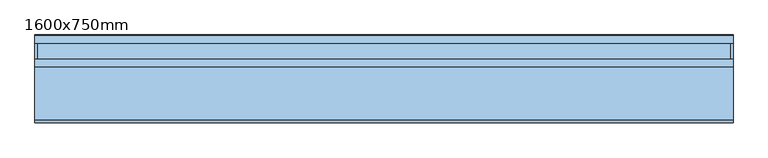
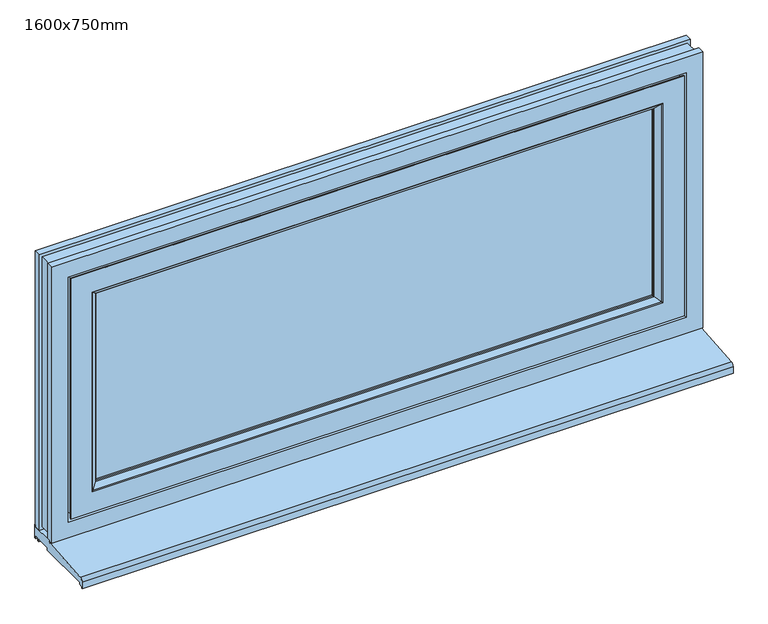
"""IFC4 building model written with IfcOpenShell, lengths in millimetres: window geometry, 1600x750mm."""

from ifc_helpers import new_model, si_unit, point, frame, frame_2d, origin, place, context, project, spatial, polyline, circle_curve, ellipse_curve, trimmed, segment, composite_curve, outline, extrude, source, transform, mapped, element, save
from ifc_brep_helpers import plane_surface, cylinder_surface, advanced_brep


def window_1600x750mm_44d02457(model_context):
    return source(origin(), model_context, "Body", "SolidModel", [
        extrude(outline(composite_curve([segment(polyline([(0.9754597, 838.0000003), (0.9754597, 803.0), (-3.0245403, 803.0), (-3.0245403, 810.0), (-11.0245403, 810.0), (-11.0245403, 803.0), (-16.0245403, 803.0), (-16.0245403, 810.0), (-52.0245403, 810.0), (-52.0245403, 803.0), (-189.0245403, 803.0), (-189.0245403, 798.310616), (-197.0245403, 796.9000002), (-197.0245403, 793.0075963), (-199.0245403, 793.0075963), (-199.0245403, 809.5438961)]), True, "CONTINUOUS"), segment(trimmed(circle_curve(frame_2d((-191.128712, 809.5438961)), 7.8958283), [point((-199.0245403, 809.5438961))], [point((-191.7581436, 817.4145962))], False, "CARTESIAN"), True, "CONTINUOUS"), segment(polyline([(-191.7581436, 817.4145962), (-63.7824859, 827.5160901)]), True, "CONTINUOUS"), segment(trimmed(circle_curve(frame_2d((-65.0153116, 833.3880694)), 6.0), [point((-63.7824859, 827.5160901))], [point((-59.0278746, 833.0000003))], True, "CARTESIAN"), True, "CONTINUOUS"), segment(polyline([(-59.0278746, 833.0000003), (-1.0245403, 833.0000003), (-1.0245403, 838.0000003), (0.9754597, 838.0000003)]), True, "CONTINUOUS")], self_intersect=False)), frame((-795.0, 0.0, 0.0), z_axis=(1.0, 0.0, 0.0), x_axis=(0.0, 1.0, 0.0)), (0.0, 0.0, 1.0), 1590.0),
        extrude(outline(polyline([(-696.0020027, -24.0244403), (696.0, -24.0244403), (696.0, -52.0244403), (-696.0020027, -52.0244403), (-696.0020027, -24.0244403)])), frame((0.0, 0.0, 932.0), z_axis=(0.0, 0.0, 1.0), x_axis=(1.0, 0.0, 0.0)), (0.0, 0.0, 1.0), 514.0),
        advanced_brep(
        [(-681.9957513, -16.4897798, 1431.9956513), (-681.9957513, -16.4897798, 946.0043487), (-694.3949222, -2.3837282, 933.6051778), (-694.3949222, -2.3837282, 1444.3948222), (-681.0001, -19.130592, 1431.0), (-681.0001, -19.130592, 947.0), (-681.0001, -22.0245403, 1431.0), (-681.0001, -22.0245403, 947.0), (-691.8001, -15.5245403, 1441.8), (-691.8001, -15.5245403, 936.2), (-691.8001, -22.0245403, 936.2), (-691.8001, -22.0245403, 1441.8), (-694.8001, -12.5245403, 1444.8), (-694.8001, -12.5245403, 933.2), (-705.0001, -1.0245403, 1455.0), (-705.0001, -1.0245403, 923.0), (-705.0001, -12.5245403, 923.0), (-705.0001, -12.5245403, 1455.0), (-697.3992709, -1.0245403, 930.6008291), (-697.3992709, -1.0245403, 1447.3991709), (681.9956513, -16.4897798, 946.0043487), (694.3948222, -2.3837282, 933.6051778), (681.0, -19.130592, 947.0), (681.0, -22.0245403, 947.0), (691.8, -15.5245403, 936.2), (691.8, -22.0245403, 936.2), (694.8, -12.5245403, 933.2), (705.0, -1.0245403, 923.0), (705.0, -12.5245403, 923.0), (697.3991709, -1.0245403, 930.6008291), (681.9956513, -16.4897798, 1431.9956513), (694.3948222, -2.3837282, 1444.3948222), (681.0, -19.130592, 1431.0), (681.0, -22.0245403, 1431.0), (691.8, -15.5245403, 1441.8), (691.8, -22.0245403, 1441.8), (694.8, -12.5245403, 1444.8), (705.0, -1.0245403, 1455.0), (705.0, -12.5245403, 1455.0), (697.3991709, -1.0245403, 1447.3991709)],
        [
            (0, 1),
            (1, 2),
            (2, 3),
            (3, 0),
            (4, 5),
            (5, 1, ellipse_curve(frame((-685.0001, -19.130592, 943.0), z_axis=(-0.7071067811865475, 0.0, 0.7071067811865475), x_axis=(0.7071067811865474, 0.0, 0.7071067811865476)), 5.6568542, 4.0)),
            (0, 4, ellipse_curve(frame((-685.0001, -19.130592, 1435.0), z_axis=(-0.7071067811865475, 0.0, -0.7071067811865475), x_axis=(-0.7071067811865474, 0.0, 0.7071067811865476)), 5.6568542, 4.0)),
            (6, 7),
            (7, 5),
            (4, 6),
            (8, 9),
            (9, 10),
            (10, 11),
            (11, 8),
            (12, 13),
            (13, 9),
            (8, 12),
            (14, 15),
            (15, 16),
            (16, 17),
            (17, 14),
            (2, 18, ellipse_curve(frame((-697.3992709, -5.0245403, 930.6008291), z_axis=(-0.7071067811865475, 0.0, 0.7071067811865475), x_axis=(0.7071067811865474, 0.0, 0.7071067811865476)), 5.6568542, 4.0)),
            (18, 19),
            (19, 3, ellipse_curve(frame((-697.3992709, -5.0245403, 1447.3991709), z_axis=(-0.7071067811865475, 0.0, -0.7071067811865475), x_axis=(-0.7071067811865474, 0.0, 0.7071067811865476)), 5.6568542, 4.0)),
            (1, 20),
            (20, 21),
            (21, 2),
            (5, 22),
            (22, 20, ellipse_curve(frame((685.0, -19.130592, 943.0), z_axis=(-0.7071067811865475, 0.0, -0.7071067811865475), x_axis=(-0.7071067811865476, 0.0, 0.7071067811865474)), 5.6568542, 4.0)),
            (7, 23),
            (23, 22),
            (9, 24),
            (24, 25),
            (25, 10),
            (13, 26),
            (26, 24),
            (15, 27),
            (27, 28),
            (28, 16),
            (21, 29, ellipse_curve(frame((697.3991709, -5.0245403, 930.6008291), z_axis=(-0.7071067811865475, 0.0, -0.7071067811865475), x_axis=(-0.7071067811865476, 0.0, 0.7071067811865474)), 5.6568542, 4.0)),
            (29, 18),
            (20, 30),
            (30, 31),
            (31, 21),
            (22, 32),
            (32, 30, ellipse_curve(frame((685.0, -19.130592, 1435.0), z_axis=(0.7071067811865475, 0.0, -0.7071067811865475), x_axis=(-0.7071067811865474, 0.0, -0.7071067811865476)), 5.6568542, 4.0)),
            (23, 33),
            (33, 32),
            (24, 34),
            (34, 35),
            (35, 25),
            (26, 36),
            (36, 34),
            (27, 37),
            (37, 38),
            (38, 28),
            (31, 39, ellipse_curve(frame((697.3991709, -5.0245403, 1447.3991709), z_axis=(0.7071067811865475, 0.0, -0.7071067811865475), x_axis=(-0.7071067811865474, 0.0, -0.7071067811865476)), 5.6568542, 4.0)),
            (39, 29),
            (30, 0),
            (3, 31),
            (32, 4),
            (33, 6),
            (35, 11),
            (34, 8),
            (36, 12),
            (38, 17),
            (37, 14),
            (39, 19),
        ],
        [
            plane_surface(frame((-694.3949222, -2.3837282, 1444.3948222), z_axis=(0.7510871729852433, 0.660203043447268, 0.0), x_axis=(0.0, 0.0, -1.0))),
            cylinder_surface(frame((-685.0001, -19.130592, 1499.0), z_axis=(0.0, 0.0, 1.0), x_axis=(-1.0, 0.0, 0.0)), 4.0),
            plane_surface(frame((-681.0001, -19.130592, 1431.0), z_axis=(1.0, 0.0, 0.0), x_axis=(0.0, 0.0, -1.0))),
            plane_surface(frame((-691.8001, -22.0245403, 1441.8), z_axis=(-1.0, 0.0, 0.0), x_axis=(0.0, 0.0, -1.0))),
            plane_surface(frame((-691.8001, -15.5245403, 1441.8), z_axis=(-0.7071067811865315, -0.7071067811865636, 0.0), x_axis=(0.0, 0.0, -1.0))),
            plane_surface(frame((-705.0001, -12.5245403, 1455.0), z_axis=(-1.0, 0.0, 0.0), x_axis=(0.0, 0.0, -1.0))),
            cylinder_surface(frame((-697.3992709, -5.0245403, 1499.0), z_axis=(0.0, 0.0, 1.0), x_axis=(-1.0, 0.0, 0.0)), 4.0),
            plane_surface(frame((-694.3949222, -2.3837282, 933.6051778), z_axis=(0.0, 0.6602030434472632, 0.7510871729852475), x_axis=(1.0, 0.0, 0.0))),
            cylinder_surface(frame((-749.0001, -19.130592, 943.0), z_axis=(-1.0, 0.0, 0.0), x_axis=(0.0, 0.0, -1.0)), 4.0),
            plane_surface(frame((-681.0001, -19.130592, 947.0), z_axis=(0.0, 0.0, 1.0), x_axis=(1.0, 0.0, 0.0))),
            plane_surface(frame((-691.8001, -22.0245403, 936.2), z_axis=(0.0, 0.0, -1.0), x_axis=(1.0, 0.0, 0.0))),
            plane_surface(frame((-691.8001, -15.5245403, 936.2), z_axis=(0.0, -0.707106781186559, -0.707106781186536), x_axis=(1.0, 0.0, 0.0))),
            plane_surface(frame((-705.0001, -12.5245403, 923.0), z_axis=(0.0, 0.0, -1.0), x_axis=(1.0, 0.0, 0.0))),
            cylinder_surface(frame((-749.0001, -5.0245403, 930.6008291), z_axis=(-1.0, 0.0, 0.0), x_axis=(0.0, 0.0, -1.0)), 4.0),
            plane_surface(frame((694.3948222, -2.3837282, 933.6051778), z_axis=(-0.7510871729852517, 0.6602030434472584, 0.0), x_axis=(0.0, 0.0, 1.0))),
            cylinder_surface(frame((685.0, -19.130592, 879.0), z_axis=(0.0, 0.0, -1.0), x_axis=(1.0, 0.0, 0.0)), 4.0),
            plane_surface(frame((681.0, -19.130592, 947.0), z_axis=(-1.0, 0.0, 0.0), x_axis=(0.0, 0.0, 1.0))),
            plane_surface(frame((691.8, -22.0245403, 936.2), z_axis=(1.0, 0.0, 0.0), x_axis=(0.0, 0.0, 1.0))),
            plane_surface(frame((691.8, -15.5245403, 936.2), z_axis=(0.7071067811865406, -0.7071067811865545, 0.0), x_axis=(0.0, 0.0, 1.0))),
            plane_surface(frame((705.0, -12.5245403, 923.0), z_axis=(1.0, 0.0, 0.0), x_axis=(0.0, 0.0, 1.0))),
            cylinder_surface(frame((697.3991709, -5.0245403, 879.0), z_axis=(0.0, 0.0, -1.0), x_axis=(1.0, 0.0, 0.0)), 4.0),
            plane_surface(frame((694.3948222, -2.3837282, 1444.3948222), z_axis=(0.0, 0.6602030434472632, -0.7510871729852475), x_axis=(-1.0, 0.0, 0.0))),
            cylinder_surface(frame((749.0, -19.130592, 1435.0), z_axis=(1.0, 0.0, 0.0), x_axis=(0.0, 0.0, 1.0)), 4.0),
            plane_surface(frame((681.0, -19.130592, 1431.0), z_axis=(0.0, 0.0, -1.0), x_axis=(-1.0, 0.0, 0.0))),
            plane_surface(frame((681.0, -22.0245403, 1431.0), z_axis=(0.0, -1.0, 0.0), x_axis=(-1.0, 0.0, 0.0))),
            plane_surface(frame((691.8, -22.0245403, 1441.8), z_axis=(0.0, 0.0, 1.0), x_axis=(-1.0, 0.0, 0.0))),
            plane_surface(frame((691.8, -15.5245403, 1441.8), z_axis=(0.0, -0.707106781186559, 0.707106781186536), x_axis=(-1.0, 0.0, 0.0))),
            plane_surface(frame((694.8, -12.5245403, 1444.8), z_axis=(0.0, -1.0, 0.0), x_axis=(-1.0, 0.0, 0.0))),
            plane_surface(frame((705.0, -12.5245403, 1455.0), z_axis=(0.0, 0.0, 1.0), x_axis=(-1.0, 0.0, 0.0))),
            plane_surface(frame((705.0, -1.0245403, 1455.0), z_axis=(0.0, 1.0, 0.0), x_axis=(-1.0, 0.0, 0.0))),
            cylinder_surface(frame((749.0, -5.0245403, 1447.3991709), z_axis=(1.0, 0.0, 0.0), x_axis=(0.0, 0.0, 1.0)), 4.0),
        ],
        [
            (0, [[1, 2, 3, 4]]),
            (1, [[5, 6, -1, 7]]),
            (2, [[8, 9, -5, 10]]),
            (3, [[11, 12, 13, 14]]),
            (4, [[15, 16, -11, 17]]),
            (5, [[18, 19, 20, 21]]),
            (6, [[-3, 22, 23, 24]]),
            (7, [[25, 26, 27, -2]]),
            (8, [[28, 29, -25, -6]]),
            (9, [[30, 31, -28, -9]]),
            (10, [[32, 33, 34, -12]]),
            (11, [[35, 36, -32, -16]]),
            (12, [[37, 38, 39, -19]]),
            (13, [[-27, 40, 41, -22]]),
            (14, [[42, 43, 44, -26]]),
            (15, [[45, 46, -42, -29]]),
            (16, [[47, 48, -45, -31]]),
            (17, [[49, 50, 51, -33]]),
            (18, [[52, 53, -49, -36]]),
            (19, [[54, 55, 56, -38]]),
            (20, [[-44, 57, 58, -40]]),
            (21, [[59, -4, 60, -43]]),
            (22, [[61, -7, -59, -46]]),
            (23, [[62, -10, -61, -48]]),
            (24, [[-13, -34, -51, 63], [-8, -62, -47, -30]]),
            (25, [[64, -14, -63, -50]]),
            (26, [[65, -17, -64, -53]]),
            (27, [[-20, -39, -56, 66], [-15, -65, -52, -35]]),
            (28, [[67, -21, -66, -55]]),
            (29, [[-18, -67, -54, -37], [-23, -41, -58, 68]]),
            (30, [[-60, -24, -68, -57]]),
        ],
    ),
        advanced_brep(
        [(705.0, -54.0245403, 1455.0), (-705.0001, -54.0245403, 1455.0), (-705.0001, -1.0245403, 1455.0), (705.0, -1.0245403, 1455.0), (694.3847305, -70.0887181, 1444.3847305), (-694.3848305, -70.0887181, 1444.3847305), (-682.4289496, -60.0565428, 1432.4288496), (682.4288496, -60.0565428, 1432.4288496), (749.0, -68.5245403, 1499.0), (-749.0001, -68.5245403, 1499.0), (-749.0001, -71.0245403, 1499.0), (749.0, -71.0245403, 1499.0), (-705.0001, -54.0245403, 923.0), (-705.0001, -1.0245403, 923.0), (-694.3848305, -70.0887181, 933.6152695), (-682.4289496, -60.0565428, 945.5711504), (-749.0001, -68.5245403, 879.0), (-749.0001, -71.0245403, 879.0), (705.0, -54.0245403, 923.0), (705.0, -1.0245403, 923.0), (694.3847305, -70.0887181, 933.6152695), (682.4288496, -60.0565428, 945.5711504), (749.0, -68.5245403, 879.0), (749.0, -71.0245403, 879.0), (681.0, -54.0245403, 1431.0), (-681.0001, -54.0245403, 1431.0), (-681.0001, -54.0245403, 947.0), (681.0, -54.0245403, 947.0), (-696.955981, -71.0245403, 1446.955881), (696.955881, -71.0245403, 1446.955881), (696.955881, -71.0245403, 931.044119), (-696.955981, -71.0245403, 931.044119), (681.0, -56.992365, 1431.0), (-681.0001, -56.992365, 1431.0), (-681.0001, -56.992365, 947.0), (681.0, -56.992365, 947.0), (744.0, -13.5245403, 1494.0), (-744.0001, -13.5245403, 1494.0), (-744.0001, -68.5245403, 1494.0), (744.0, -68.5245403, 1494.0), (730.0, -1.0245403, 1480.0), (-730.0001, -1.0245403, 1480.0), (-732.0001, -13.5245403, 1482.0), (732.0, -13.5245403, 1482.0), (-744.0001, -13.5245403, 884.0), (-744.0001, -68.5245403, 884.0), (-730.0001, -1.0245403, 898.0), (-732.0001, -13.5245403, 896.0), (744.0, -13.5245403, 884.0), (744.0, -68.5245403, 884.0), (730.0, -1.0245403, 898.0), (732.0, -13.5245403, 896.0)],
        [
            (0, 1),
            (1, 2),
            (2, 3),
            (3, 0),
            (4, 5),
            (5, 6),
            (6, 7),
            (7, 4),
            (8, 9),
            (9, 10),
            (10, 11),
            (11, 8),
            (1, 12),
            (12, 13),
            (13, 2),
            (5, 14),
            (14, 15),
            (15, 6),
            (9, 16),
            (16, 17),
            (17, 10),
            (12, 18),
            (18, 19),
            (19, 13),
            (14, 20),
            (20, 21),
            (21, 15),
            (16, 22),
            (22, 23),
            (23, 17),
            (18, 0),
            (3, 19),
            (24, 25),
            (25, 26),
            (26, 27),
            (27, 24),
            (20, 4),
            (7, 21),
            (23, 11),
            (28, 29),
            (29, 30),
            (30, 31),
            (31, 28),
            (22, 8),
            (32, 33),
            (33, 25),
            (24, 32),
            (28, 5, ellipse_curve(frame((-696.955981, -67.0245403, 1446.955881), z_axis=(0.7071067811865475, 0.0, 0.7071067811865475), x_axis=(0.7071067811865476, 0.0, -0.7071067811865474)), 5.6568542, 4.0)),
            (4, 29, ellipse_curve(frame((696.955881, -67.0245403, 1446.955881), z_axis=(-0.7071067811865475, 0.0, 0.7071067811865475), x_axis=(0.7071067811865476, 0.0, 0.7071067811865474)), 5.6568542, 4.0)),
            (33, 34),
            (34, 26),
            (31, 14, ellipse_curve(frame((-696.955981, -67.0245403, 931.044119), z_axis=(-0.7071067811865475, 0.0, 0.7071067811865475), x_axis=(0.7071067811865474, 0.0, 0.7071067811865476)), 5.6568542, 4.0)),
            (34, 35),
            (35, 27),
            (30, 20, ellipse_curve(frame((696.955881, -67.0245403, 931.044119), z_axis=(-0.7071067811865475, 0.0, -0.7071067811865475), x_axis=(-0.7071067811865476, 0.0, 0.7071067811865474)), 5.6568542, 4.0)),
            (35, 32),
            (6, 33, ellipse_curve(frame((-685.0001, -56.992365, 1435.0), z_axis=(0.7071067811865475, 0.0, 0.7071067811865475), x_axis=(0.7071067811865476, 0.0, -0.7071067811865474)), 5.6568542, 4.0)),
            (32, 7, ellipse_curve(frame((685.0, -56.992365, 1435.0), z_axis=(-0.7071067811865475, 0.0, 0.7071067811865475), x_axis=(0.7071067811865476, 0.0, 0.7071067811865474)), 5.6568542, 4.0)),
            (15, 34, ellipse_curve(frame((-685.0001, -56.992365, 943.0), z_axis=(-0.7071067811865475, 0.0, 0.7071067811865475), x_axis=(0.7071067811865474, 0.0, 0.7071067811865476)), 5.6568542, 4.0)),
            (21, 35, ellipse_curve(frame((685.0, -56.992365, 943.0), z_axis=(-0.7071067811865475, 0.0, -0.7071067811865475), x_axis=(-0.7071067811865476, 0.0, 0.7071067811865474)), 5.6568542, 4.0)),
            (36, 37),
            (37, 38),
            (38, 39),
            (39, 36),
            (40, 41),
            (41, 42),
            (42, 43),
            (43, 40),
            (37, 44),
            (44, 45),
            (45, 38),
            (41, 46),
            (46, 47),
            (47, 42),
            (44, 48),
            (48, 49),
            (49, 45),
            (46, 50),
            (50, 51),
            (51, 47),
            (49, 39),
            (48, 36),
            (51, 43),
            (50, 40),
        ],
        [
            plane_surface(frame((705.0, -1.0245403, 1455.0), z_axis=(0.0, 0.0, -1.0), x_axis=(-1.0, 0.0, 0.0))),
            plane_surface(frame((682.4288496, -60.0565428, 1432.4288496), z_axis=(0.0, -0.7660444433480821, -0.6427876094135039), x_axis=(-1.0, 0.0, 0.0))),
            plane_surface(frame((749.0, -71.0245403, 1499.0), z_axis=(0.0, 0.0, 1.0), x_axis=(-1.0, 0.0, 0.0))),
            plane_surface(frame((-705.0001, -1.0245403, 1455.0), z_axis=(1.0, 0.0, 0.0), x_axis=(0.0, 0.0, -1.0))),
            plane_surface(frame((-682.4289496, -60.0565428, 1432.4288496), z_axis=(0.6427876094135088, -0.766044443348078, 0.0), x_axis=(0.0, 0.0, -1.0))),
            plane_surface(frame((-749.0001, -71.0245403, 1499.0), z_axis=(-1.0, 0.0, 0.0), x_axis=(0.0, 0.0, -1.0))),
            plane_surface(frame((-705.0001, -1.0245403, 923.0), z_axis=(0.0, 0.0, 1.0), x_axis=(1.0, 0.0, 0.0))),
            plane_surface(frame((-682.4289496, -60.0565428, 945.5711504), z_axis=(0.0, -0.7660444433480821, 0.6427876094135039), x_axis=(1.0, 0.0, 0.0))),
            plane_surface(frame((-749.0001, -71.0245403, 879.0), z_axis=(0.0, 0.0, -1.0), x_axis=(1.0, 0.0, 0.0))),
            plane_surface(frame((705.0, -1.0245403, 923.0), z_axis=(-1.0, 0.0, 0.0), x_axis=(0.0, 0.0, 1.0))),
            plane_surface(frame((705.0, -54.0245403, 923.0), z_axis=(0.0, 1.0, 0.0), x_axis=(0.0, 0.0, 1.0))),
            plane_surface(frame((682.4288496, -60.0565428, 945.5711504), z_axis=(-0.642787609413499, -0.7660444433480862, 0.0), x_axis=(0.0, 0.0, 1.0))),
            plane_surface(frame((696.955881, -71.0245403, 931.044119), z_axis=(0.0, -1.0, 0.0), x_axis=(0.0, 0.0, 1.0))),
            plane_surface(frame((749.0, -71.0245403, 879.0), z_axis=(1.0, 0.0, 0.0), x_axis=(0.0, 0.0, 1.0))),
            plane_surface(frame((681.0, -54.0245403, 1431.0), z_axis=(0.0, 0.0, -1.0), x_axis=(-1.0, 0.0, 0.0))),
            cylinder_surface(frame((749.0, -67.0245403, 1446.955881), z_axis=(1.0, 0.0, 0.0), x_axis=(0.0, 0.0, 1.0)), 4.0),
            plane_surface(frame((-681.0001, -54.0245403, 1431.0), z_axis=(1.0, 0.0, 0.0), x_axis=(0.0, 0.0, -1.0))),
            cylinder_surface(frame((-696.955981, -67.0245403, 1499.0), z_axis=(0.0, 0.0, 1.0), x_axis=(-1.0, 0.0, 0.0)), 4.0),
            plane_surface(frame((-681.0001, -54.0245403, 947.0), z_axis=(0.0, 0.0, 1.0), x_axis=(1.0, 0.0, 0.0))),
            cylinder_surface(frame((-749.0001, -67.0245403, 931.044119), z_axis=(-1.0, 0.0, 0.0), x_axis=(0.0, 0.0, -1.0)), 4.0),
            plane_surface(frame((681.0, -54.0245403, 947.0), z_axis=(-1.0, 0.0, 0.0), x_axis=(0.0, 0.0, 1.0))),
            cylinder_surface(frame((696.955881, -67.0245403, 879.0), z_axis=(0.0, 0.0, -1.0), x_axis=(1.0, 0.0, 0.0)), 4.0),
            cylinder_surface(frame((749.0, -56.992365, 1435.0), z_axis=(1.0, 0.0, 0.0), x_axis=(0.0, 0.0, 1.0)), 4.0),
            cylinder_surface(frame((-685.0001, -56.992365, 1499.0), z_axis=(0.0, 0.0, 1.0), x_axis=(-1.0, 0.0, 0.0)), 4.0),
            cylinder_surface(frame((-749.0001, -56.992365, 943.0), z_axis=(-1.0, 0.0, 0.0), x_axis=(0.0, 0.0, -1.0)), 4.0),
            cylinder_surface(frame((685.0, -56.992365, 879.0), z_axis=(0.0, 0.0, -1.0), x_axis=(1.0, 0.0, 0.0)), 4.0),
            plane_surface(frame((744.0, -68.5245403, 1494.0), z_axis=(0.0, 0.0, 1.0), x_axis=(-1.0, 0.0, 0.0))),
            plane_surface(frame((732.0, -13.5245403, 1482.0), z_axis=(0.0, 0.1579905011066784, 0.9874406319167045), x_axis=(-1.0, 0.0, 0.0))),
            plane_surface(frame((-744.0001, -68.5245403, 1494.0), z_axis=(-1.0, 0.0, 0.0), x_axis=(0.0, 0.0, -1.0))),
            plane_surface(frame((-732.0001, -13.5245403, 1482.0), z_axis=(-0.9874406319167055, 0.1579905011066721, 0.0), x_axis=(0.0, 0.0, -1.0))),
            plane_surface(frame((-744.0001, -68.5245403, 884.0), z_axis=(0.0, 0.0, -1.0), x_axis=(1.0, 0.0, 0.0))),
            plane_surface(frame((-732.0001, -13.5245403, 896.0), z_axis=(0.0, 0.1579905011066784, -0.9874406319167045), x_axis=(1.0, 0.0, 0.0))),
            plane_surface(frame((749.0, -68.5245403, 879.0), z_axis=(0.0, 1.0, 0.0), x_axis=(0.0, 0.0, 1.0))),
            plane_surface(frame((744.0, -68.5245403, 884.0), z_axis=(1.0, 0.0, 0.0), x_axis=(0.0, 0.0, 1.0))),
            plane_surface(frame((744.0, -13.5245403, 884.0), z_axis=(0.0, 1.0, 0.0), x_axis=(0.0, 0.0, 1.0))),
            plane_surface(frame((732.0, -13.5245403, 896.0), z_axis=(0.9874406319167035, 0.1579905011066847, 0.0), x_axis=(0.0, 0.0, 1.0))),
            plane_surface(frame((730.0, -1.0245403, 898.0), z_axis=(0.0, 1.0, 0.0), x_axis=(0.0, 0.0, 1.0))),
        ],
        [
            (0, [[1, 2, 3, 4]]),
            (1, [[5, 6, 7, 8]]),
            (2, [[9, 10, 11, 12]]),
            (3, [[13, 14, 15, -2]]),
            (4, [[16, 17, 18, -6]]),
            (5, [[19, 20, 21, -10]]),
            (6, [[22, 23, 24, -14]]),
            (7, [[25, 26, 27, -17]]),
            (8, [[28, 29, 30, -20]]),
            (9, [[31, -4, 32, -23]]),
            (10, [[-1, -31, -22, -13], [33, 34, 35, 36]]),
            (11, [[37, -8, 38, -26]]),
            (12, [[-11, -21, -30, 39], [40, 41, 42, 43]]),
            (13, [[44, -12, -39, -29]]),
            (14, [[45, 46, -33, 47]]),
            (15, [[-40, 48, -5, 49]]),
            (16, [[50, 51, -34, -46]]),
            (17, [[-43, 52, -16, -48]]),
            (18, [[53, 54, -35, -51]]),
            (19, [[-42, 55, -25, -52]]),
            (20, [[56, -47, -36, -54]]),
            (21, [[-41, -49, -37, -55]]),
            (22, [[-7, 57, -45, 58]]),
            (23, [[-18, 59, -50, -57]]),
            (24, [[-27, 60, -53, -59]]),
            (25, [[-38, -58, -56, -60]]),
            (26, [[61, 62, 63, 64]]),
            (27, [[65, 66, 67, 68]]),
            (28, [[69, 70, 71, -62]]),
            (29, [[72, 73, 74, -66]]),
            (30, [[75, 76, 77, -70]]),
            (31, [[78, 79, 80, -73]]),
            (32, [[-9, -44, -28, -19], [-63, -71, -77, 81]]),
            (33, [[82, -64, -81, -76]]),
            (34, [[-61, -82, -75, -69], [-67, -74, -80, 83]]),
            (35, [[84, -68, -83, -79]]),
            (36, [[-65, -84, -78, -72], [-3, -15, -24, -32]]),
        ],
    ),
        advanced_brep(
        [(-795.0, -71.0245403, 833.0), (-795.0, -71.0245403, 1545.0), (-795.0, -54.0245403, 1545.0), (-795.0, -54.0245403, 833.0), (795.0, -71.0245403, 1545.0), (795.0, -54.0245403, 1545.0), (795.0, -71.0245403, 833.0), (795.0, -54.0245403, 833.0), (-795.0, -18.0245403, 833.0), (-795.0, -18.0245403, 1545.0), (-795.0, -1.0245403, 1545.0), (-795.0, -1.0245403, 833.0), (-788.0, -54.0245403, 840.0), (-788.0, -54.0245403, 1538.0), (-788.0, -18.0245403, 1538.0), (-788.0, -18.0245403, 840.0), (795.0, -18.0245403, 1545.0), (795.0, -1.0245403, 1545.0), (788.0, -54.0245403, 1538.0), (788.0, -18.0245403, 1538.0), (795.0, -18.0245403, 833.0), (795.0, -1.0245403, 833.0), (788.0, -54.0245403, 840.0), (788.0, -18.0245403, 840.0), (-755.0, -71.0245403, 873.0), (-755.0, -71.0245403, 1505.0), (755.0, -71.0245403, 1505.0), (755.0, -71.0245403, 873.0), (-755.0, -10.0245403, 1505.0), (-755.0, -10.0245403, 873.0), (755.0, -10.0245403, 873.0), (755.0, -10.0245403, 1505.0), (-735.0, -10.0245403, 893.0), (-735.0, -10.0245403, 1485.0), (735.0, -10.0245403, 1485.0), (735.0, -10.0245403, 893.0), (-739.9659713, -1.0245403, 1489.9659713), (-739.9659713, -1.0245403, 888.0340287), (739.9659713, -1.0245403, 888.0340287), (739.9659713, -1.0245403, 1489.9659713), (736.1715729, -4.8189387, 1486.1715729), (-736.1715729, -4.8189387, 1486.1715729), (736.1715729, -4.8189387, 891.8284271), (-736.1715729, -4.8189387, 891.8284271), (-735.0, -7.6473659, 1485.0), (735.0, -7.6473659, 1485.0), (735.0, -7.6473659, 893.0), (-735.0, -7.6473659, 893.0)],
        [
            (0, 1),
            (1, 2),
            (2, 3),
            (3, 0),
            (1, 4),
            (4, 5),
            (5, 2),
            (4, 6),
            (6, 7),
            (7, 5),
            (8, 9),
            (9, 10),
            (10, 11),
            (11, 8),
            (12, 13),
            (13, 14),
            (14, 15),
            (15, 12),
            (9, 16),
            (16, 17),
            (17, 10),
            (13, 18),
            (18, 19),
            (19, 14),
            (16, 20),
            (20, 21),
            (21, 17),
            (18, 22),
            (22, 23),
            (23, 19),
            (6, 0),
            (3, 7),
            (24, 25),
            (25, 26),
            (26, 27),
            (27, 24),
            (28, 29),
            (29, 30),
            (30, 31),
            (31, 28),
            (32, 33),
            (33, 34),
            (34, 35),
            (35, 32),
            (21, 11),
            (36, 37),
            (37, 38),
            (38, 39),
            (39, 36),
            (20, 8),
            (23, 15),
            (22, 12),
            (31, 26),
            (25, 28),
            (39, 40),
            (40, 41),
            (41, 36),
            (30, 27),
            (38, 42),
            (42, 40),
            (29, 24),
            (37, 43),
            (43, 42),
            (41, 43),
            (44, 45),
            (45, 34),
            (33, 44),
            (40, 45, ellipse_curve(frame((739.0, -7.6473659, 1489.0), z_axis=(-0.7071067811865475, 0.0, 0.7071067811865475), x_axis=(-0.7071067811865476, 0.0, -0.7071067811865474)), 5.6568542, 4.0)),
            (44, 41, ellipse_curve(frame((-739.0, -7.6473659, 1489.0), z_axis=(0.7071067811865475, 0.0, 0.7071067811865475), x_axis=(-0.7071067811865476, 0.0, 0.7071067811865474)), 5.6568542, 4.0)),
            (45, 46),
            (46, 35),
            (42, 46, ellipse_curve(frame((739.0, -7.6473659, 889.0), z_axis=(0.7071067811865475, 0.0, 0.7071067811865475), x_axis=(-0.7071067811865474, 0.0, 0.7071067811865476)), 5.6568542, 4.0)),
            (46, 47),
            (47, 32),
            (43, 47, ellipse_curve(frame((-739.0, -7.6473659, 889.0), z_axis=(0.7071067811865475, 0.0, -0.7071067811865475), x_axis=(0.7071067811865476, 0.0, 0.7071067811865474)), 5.6568542, 4.0)),
            (47, 44),
        ],
        [
            plane_surface(frame((-795.0, -54.0245403, 833.0), z_axis=(-1.0, 0.0, 0.0), x_axis=(0.0, 0.0, 1.0))),
            plane_surface(frame((-795.0, -54.0245403, 1545.0), z_axis=(0.0, 0.0, 1.0), x_axis=(1.0, 0.0, 0.0))),
            plane_surface(frame((795.0, -54.0245403, 1545.0), z_axis=(1.0, 0.0, 0.0), x_axis=(0.0, 0.0, -1.0))),
            plane_surface(frame((-795.0, -1.0245403, 833.0), z_axis=(-1.0, 0.0, 0.0), x_axis=(0.0, 0.0, 1.0))),
            plane_surface(frame((-788.0, -18.0245403, 840.0), z_axis=(-1.0, 0.0, 0.0), x_axis=(0.0, 0.0, 1.0))),
            plane_surface(frame((-795.0, -1.0245403, 1545.0), z_axis=(0.0, 0.0, 1.0), x_axis=(1.0, 0.0, 0.0))),
            plane_surface(frame((-788.0, -18.0245403, 1538.0), z_axis=(0.0, 0.0, 1.0), x_axis=(1.0, 0.0, 0.0))),
            plane_surface(frame((795.0, -1.0245403, 1545.0), z_axis=(1.0, 0.0, 0.0), x_axis=(0.0, 0.0, -1.0))),
            plane_surface(frame((788.0, -18.0245403, 1538.0), z_axis=(1.0, 0.0, 0.0), x_axis=(0.0, 0.0, -1.0))),
            plane_surface(frame((795.0, -54.0245403, 833.0), z_axis=(0.0, 0.0, -1.0), x_axis=(-1.0, 0.0, 0.0))),
            plane_surface(frame((795.0, -71.0245403, 833.0), z_axis=(0.0, -1.0, 0.0), x_axis=(-1.0, 0.0, 0.0))),
            plane_surface(frame((755.0, -10.0245403, 873.0), z_axis=(0.0, -1.0, 0.0), x_axis=(-1.0, 0.0, 0.0))),
            plane_surface(frame((739.9659713, -1.0245403, 888.0340287), z_axis=(0.0, 1.0, 0.0), x_axis=(-1.0, 0.0, 0.0))),
            plane_surface(frame((795.0, -1.0245403, 833.0), z_axis=(0.0, 0.0, -1.0), x_axis=(-1.0, 0.0, 0.0))),
            plane_surface(frame((795.0, -18.0245403, 833.0), z_axis=(0.0, -1.0, 0.0), x_axis=(-1.0, 0.0, 0.0))),
            plane_surface(frame((788.0, -18.0245403, 840.0), z_axis=(0.0, 0.0, -1.0), x_axis=(-1.0, 0.0, 0.0))),
            plane_surface(frame((788.0, -54.0245403, 840.0), z_axis=(0.0, 1.0, 0.0), x_axis=(-1.0, 0.0, 0.0))),
            plane_surface(frame((-755.0, -71.0245403, 1505.0), z_axis=(0.0, 0.0, -1.0), x_axis=(1.0, 0.0, 0.0))),
            plane_surface(frame((-736.1715729, -4.8189387, 1486.1715729), z_axis=(0.0, 0.7071067811865374, -0.7071067811865578), x_axis=(1.0, 0.0, 0.0))),
            plane_surface(frame((755.0, -71.0245403, 1505.0), z_axis=(-1.0, 0.0, 0.0), x_axis=(0.0, 0.0, -1.0))),
            plane_surface(frame((736.1715729, -4.8189387, 1486.1715729), z_axis=(-0.7071067811865578, 0.7071067811865374, 0.0), x_axis=(0.0, 0.0, -1.0))),
            plane_surface(frame((755.0, -71.0245403, 873.0), z_axis=(0.0, 0.0, 1.0), x_axis=(-1.0, 0.0, 0.0))),
            plane_surface(frame((736.1715729, -4.8189387, 891.8284271), z_axis=(0.0, 0.7071067811865374, 0.7071067811865578), x_axis=(-1.0, 0.0, 0.0))),
            plane_surface(frame((-755.0, -71.0245403, 873.0), z_axis=(1.0, 0.0, 0.0), x_axis=(0.0, 0.0, 1.0))),
            plane_surface(frame((-736.1715729, -4.8189387, 891.8284271), z_axis=(0.7071067811865578, 0.7071067811865374, 0.0), x_axis=(0.0, 0.0, 1.0))),
            plane_surface(frame((-735.0, -10.0245403, 1485.0), z_axis=(0.0, 0.0, -1.0), x_axis=(1.0, 0.0, 0.0))),
            cylinder_surface(frame((-795.0, -7.6473659, 1489.0), z_axis=(-1.0, 0.0, 0.0), x_axis=(0.0, 0.0, 1.0)), 4.0),
            plane_surface(frame((735.0, -10.0245403, 1485.0), z_axis=(-1.0, 0.0, 0.0), x_axis=(0.0, 0.0, -1.0))),
            cylinder_surface(frame((739.0, -7.6473659, 1545.0), z_axis=(0.0, 0.0, 1.0), x_axis=(1.0, 0.0, 0.0)), 4.0),
            plane_surface(frame((735.0, -10.0245403, 893.0), z_axis=(0.0, 0.0, 1.0), x_axis=(-1.0, 0.0, 0.0))),
            cylinder_surface(frame((795.0, -7.6473659, 889.0), z_axis=(1.0, 0.0, 0.0), x_axis=(0.0, 0.0, -1.0)), 4.0),
            plane_surface(frame((-735.0, -10.0245403, 893.0), z_axis=(1.0, 0.0, 0.0), x_axis=(0.0, 0.0, 1.0))),
            cylinder_surface(frame((-739.0, -7.6473659, 833.0), z_axis=(0.0, 0.0, -1.0), x_axis=(-1.0, 0.0, 0.0)), 4.0),
        ],
        [
            (0, [[1, 2, 3, 4]]),
            (1, [[5, 6, 7, -2]]),
            (2, [[8, 9, 10, -6]]),
            (3, [[11, 12, 13, 14]]),
            (4, [[15, 16, 17, 18]]),
            (5, [[19, 20, 21, -12]]),
            (6, [[22, 23, 24, -16]]),
            (7, [[25, 26, 27, -20]]),
            (8, [[28, 29, 30, -23]]),
            (9, [[31, -4, 32, -9]]),
            (10, [[-1, -31, -8, -5], [33, 34, 35, 36]]),
            (11, [[37, 38, 39, 40], [41, 42, 43, 44]]),
            (12, [[-13, -21, -27, 45], [46, 47, 48, 49]]),
            (13, [[50, -14, -45, -26]]),
            (14, [[-11, -50, -25, -19], [-17, -24, -30, 51]]),
            (15, [[52, -18, -51, -29]]),
            (16, [[-3, -7, -10, -32], [-15, -52, -28, -22]]),
            (17, [[-40, 53, -34, 54]]),
            (18, [[-49, 55, 56, 57]]),
            (19, [[-39, 58, -35, -53]]),
            (20, [[-48, 59, 60, -55]]),
            (21, [[-38, 61, -36, -58]]),
            (22, [[-47, 62, 63, -59]]),
            (23, [[-37, -54, -33, -61]]),
            (24, [[-46, -57, 64, -62]]),
            (25, [[65, 66, -42, 67]]),
            (26, [[-56, 68, -65, 69]]),
            (27, [[70, 71, -43, -66]]),
            (28, [[-60, 72, -70, -68]]),
            (29, [[73, 74, -44, -71]]),
            (30, [[-63, 75, -73, -72]]),
            (31, [[76, -67, -41, -74]]),
            (32, [[-64, -69, -76, -75]]),
        ],
    ),
    ])


if __name__ == "__main__":
    model = new_model("IFC4")
    model_context = context("Model", 3, world=origin())
    ifc_project = project(units=[si_unit("LENGTHUNIT", "METRE", prefix="MILLI")], contexts=[model_context])
    site = spatial("IfcSite", under=ifc_project)
    building = spatial("IfcBuilding", under=site)
    placement = place(None, origin())
    window_1600x750mm_shape = window_1600x750mm_44d02457(model_context)
    element("IfcWindow", 1, ObjectType="1600x750mm", at=placement, inside=building, context=model_context, shape_type="MappedRepresentation", body=[
        mapped(window_1600x750mm_shape, transform((0.0, 0.0, 0.0), x_axis=(1.0, 0.0, 0.0), y_axis=(0.0, 1.0, 0.0), z_axis=(0.0, 0.0, 1.0))),
    ])
    save(model, "model.ifc")
